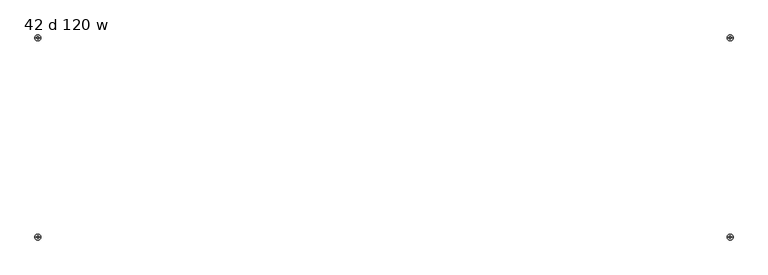
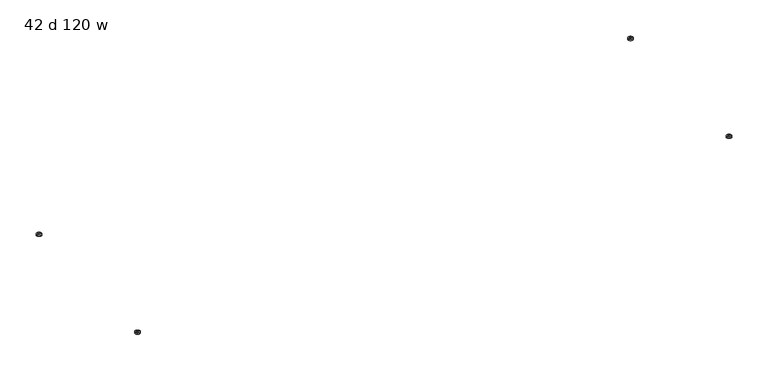
"""IFC4 building model written with IfcOpenShell, lengths in millimetres: furniture geometry, 42 d 120 w."""

from ifc_helpers import new_model, si_unit, point, frame, origin, place, context, project, spatial, circle_curve, ellipse_curve, trimmed, source, transform, mapped, element, save
from ifc_brep_helpers import plane_surface, cylinder_surface, revolved_surface, advanced_brep


def furniture_42_d_120_w_34566470(model_context):
    return source(origin(), model_context, "Body", "AdvancedBrep", [
        advanced_brep(
        [(-1453.3322731, -419.8439953, 0.0), (-1458.4112333, -419.8439953, 0.0), (-1455.8717532, -419.8439953, 0.0), (-1443.174498, -419.8439953, 3.6684262), (-1468.5690084, -419.8439953, 3.6684262), (-1443.174498, -419.8439953, 7.8731999), (-1468.5690084, -419.8439953, 7.8731999), (-1451.1120222, -419.8439953, 7.8731999), (-1460.6314842, -419.8439953, 7.8731999), (-1451.1120222, -419.8439953, 12.2237497), (-1460.6314842, -419.8439953, 12.2237497), (-1455.8717532, -419.8439953, 12.2237497)],
        [
            (0, 1, circle_curve(frame((-1455.8717532, -419.8439953, 0.0), z_axis=(0.0, 0.0, -1.0), x_axis=(-1.0, 0.0, 0.0)), 2.5394801)),
            (1, 2),
            (2, 0),
            (1, 0, circle_curve(frame((-1455.8717532, -419.8439953, 0.0), z_axis=(0.0, 0.0, -1.0), x_axis=(-1.0, 0.0, 0.0)), 2.5394801)),
            (0, 3, circle_curve(frame((-1453.3322731, -419.8439953, 15.8975186), z_axis=(0.0, -1.0, 0.0), x_axis=(1.0, 0.0, 0.0)), 15.8975186)),
            (3, 4, circle_curve(frame((-1455.8717532, -419.8439953, 3.6684262), z_axis=(0.0, 0.0, -1.0), x_axis=(-1.0, 0.0, 0.0)), 12.6972552)),
            (4, 1, circle_curve(frame((-1458.4112333, -419.8439953, 15.8975186), z_axis=(0.0, -1.0, 0.0), x_axis=(-1.0, 0.0, 0.0)), 15.8975186)),
            (4, 3, circle_curve(frame((-1455.8717532, -419.8439953, 3.6684262), z_axis=(0.0, 0.0, -1.0), x_axis=(-1.0, 0.0, 0.0)), 12.6972552)),
            (3, 5),
            (5, 6, circle_curve(frame((-1455.8717532, -419.8439953, 7.8731999), z_axis=(0.0, 0.0, -1.0), x_axis=(-1.0, 0.0, 0.0)), 12.6972552)),
            (6, 4),
            (6, 5, circle_curve(frame((-1455.8717532, -419.8439953, 7.8731999), z_axis=(0.0, 0.0, -1.0), x_axis=(-1.0, 0.0, 0.0)), 12.6972552)),
            (5, 7),
            (7, 8, circle_curve(frame((-1455.8717532, -419.8439953, 7.8731999), z_axis=(0.0, 0.0, -1.0), x_axis=(-1.0, 0.0, 0.0)), 4.759731)),
            (8, 6),
            (8, 7, circle_curve(frame((-1455.8717532, -419.8439953, 7.8731999), z_axis=(0.0, 0.0, -1.0), x_axis=(-1.0, 0.0, 0.0)), 4.759731)),
            (7, 9),
            (9, 10, circle_curve(frame((-1455.8717532, -419.8439953, 12.2237497), z_axis=(0.0, 0.0, -1.0), x_axis=(-1.0, 0.0, 0.0)), 4.759731)),
            (10, 8),
            (10, 9, circle_curve(frame((-1455.8717532, -419.8439953, 12.2237497), z_axis=(0.0, 0.0, -1.0), x_axis=(-1.0, 0.0, 0.0)), 4.759731)),
            (9, 11),
            (11, 10),
        ],
        [
            plane_surface(frame((-1455.8717532, -419.8439953, 0.0), z_axis=(0.0, 0.0, -1.0), x_axis=(-1.0, 0.0, 0.0))),
            revolved_surface(trimmed(ellipse_curve(frame((-1458.4112333, -419.8439953, 15.8975186), z_axis=(0.0, 1.0, 0.0), x_axis=(-1.0, 0.0, 0.0)), 15.8975186, 15.8975186), [point((-1458.4112333, -419.8439953, 0.0))], [point((-1468.5690084, -419.8439953, 3.6684262))], True, "CARTESIAN"), (-1455.8717532, -419.8439953, 12.2237497), (0.0, 0.0, 1.0)),
            cylinder_surface(frame((-1455.8717532, -419.8439953, 12.2237497), z_axis=(0.0, 0.0, 1.0), x_axis=(-1.0, 0.0, 0.0)), 12.6972552),
            plane_surface(frame((-1455.8717532, -419.8439953, 7.8731999), z_axis=(0.0, 0.0, 1.0), x_axis=(-1.0, 0.0, 0.0))),
            cylinder_surface(frame((-1455.8717532, -419.8439953, 12.2237497), z_axis=(0.0, 0.0, 1.0), x_axis=(-1.0, 0.0, 0.0)), 4.759731),
            plane_surface(frame((-1455.8717532, -419.8439953, 12.2237497), z_axis=(0.0, 0.0, 1.0), x_axis=(-1.0, 0.0, 0.0))),
        ],
        [
            (0, [[1, 2, 3]]),
            (0, [[-2, 4, -3]]),
            (1, [[-1, 5, 6, 7]]),
            (1, [[-4, -7, 8, -5]]),
            (2, [[-6, 9, 10, 11]]),
            (2, [[-8, -11, 12, -9]]),
            (3, [[-10, 13, 14, 15]]),
            (3, [[-12, -15, 16, -13]]),
            (4, [[-14, 17, 18, 19]]),
            (4, [[-16, -19, 20, -17]]),
            (5, [[-18, 21, 22]]),
            (5, [[-20, -22, -21]]),
        ],
    ),
        advanced_brep(
        [(-1455.8717532, 419.8439953, 0.0), (-1458.4112333, 419.8439953, 0.0), (-1453.3322731, 419.8439953, 0.0), (-1468.5690084, 419.8439953, 3.6684262), (-1443.174498, 419.8439953, 3.6684262), (-1468.5690084, 419.8439953, 7.8731999), (-1443.174498, 419.8439953, 7.8731999), (-1460.6314842, 419.8439953, 7.8731999), (-1451.1120222, 419.8439953, 7.8731999), (-1460.6314842, 419.8439953, 12.2237497), (-1451.1120222, 419.8439953, 12.2237497), (-1455.8717532, 419.8439953, 12.2237497)],
        [
            (0, 1),
            (1, 2, circle_curve(frame((-1455.8717532, 419.8439953, 0.0), z_axis=(0.0, 0.0, -1.0), x_axis=(-1.0, 0.0, 0.0)), 2.5394801)),
            (2, 0),
            (2, 1, circle_curve(frame((-1455.8717532, 419.8439953, 0.0), z_axis=(0.0, 0.0, -1.0), x_axis=(-1.0, 0.0, 0.0)), 2.5394801)),
            (1, 3, circle_curve(frame((-1458.4112333, 419.8439953, 15.8975186), z_axis=(0.0, 1.0, 0.0), x_axis=(-1.0, 0.0, 0.0)), 15.8975186)),
            (3, 4, circle_curve(frame((-1455.8717532, 419.8439953, 3.6684262), z_axis=(0.0, 0.0, -1.0), x_axis=(-1.0, 0.0, 0.0)), 12.6972552)),
            (4, 2, circle_curve(frame((-1453.3322731, 419.8439953, 15.8975186), z_axis=(0.0, 1.0, 0.0), x_axis=(1.0, 0.0, 0.0)), 15.8975186)),
            (4, 3, circle_curve(frame((-1455.8717532, 419.8439953, 3.6684262), z_axis=(0.0, 0.0, -1.0), x_axis=(-1.0, 0.0, 0.0)), 12.6972552)),
            (3, 5),
            (5, 6, circle_curve(frame((-1455.8717532, 419.8439953, 7.8731999), z_axis=(0.0, 0.0, -1.0), x_axis=(-1.0, 0.0, 0.0)), 12.6972552)),
            (6, 4),
            (6, 5, circle_curve(frame((-1455.8717532, 419.8439953, 7.8731999), z_axis=(0.0, 0.0, -1.0), x_axis=(-1.0, 0.0, 0.0)), 12.6972552)),
            (5, 7),
            (7, 8, circle_curve(frame((-1455.8717532, 419.8439953, 7.8731999), z_axis=(0.0, 0.0, -1.0), x_axis=(-1.0, 0.0, 0.0)), 4.759731)),
            (8, 6),
            (8, 7, circle_curve(frame((-1455.8717532, 419.8439953, 7.8731999), z_axis=(0.0, 0.0, -1.0), x_axis=(-1.0, 0.0, 0.0)), 4.759731)),
            (7, 9),
            (9, 10, circle_curve(frame((-1455.8717532, 419.8439953, 12.2237497), z_axis=(0.0, 0.0, -1.0), x_axis=(-1.0, 0.0, 0.0)), 4.759731)),
            (10, 8),
            (10, 9, circle_curve(frame((-1455.8717532, 419.8439953, 12.2237497), z_axis=(0.0, 0.0, -1.0), x_axis=(-1.0, 0.0, 0.0)), 4.759731)),
            (9, 11),
            (11, 10),
        ],
        [
            plane_surface(frame((-1455.8717532, 419.8439953, 0.0), z_axis=(0.0, 0.0, -1.0), x_axis=(-1.0, 0.0, 0.0))),
            revolved_surface(trimmed(ellipse_curve(frame((-1458.4112333, 419.8439953, 15.8975186), z_axis=(0.0, -1.0, 0.0), x_axis=(-1.0, 0.0, 0.0)), 15.8975186, 15.8975186), [point((-1468.5690084, 419.8439953, 3.6684262))], [point((-1458.4112333, 419.8439953, 0.0))], True, "CARTESIAN"), (-1455.8717532, 419.8439953, 12.2237497), (0.0, 0.0, -1.0)),
            cylinder_surface(frame((-1455.8717532, 419.8439953, 12.2237497), z_axis=(0.0, 0.0, -1.0), x_axis=(-1.0, 0.0, 0.0)), 12.6972552),
            plane_surface(frame((-1455.8717532, 419.8439953, 7.8731999), z_axis=(0.0, 0.0, 1.0), x_axis=(-1.0, 0.0, 0.0))),
            cylinder_surface(frame((-1455.8717532, 419.8439953, 12.2237497), z_axis=(0.0, 0.0, -1.0), x_axis=(-1.0, 0.0, 0.0)), 4.759731),
            plane_surface(frame((-1455.8717532, 419.8439953, 12.2237497), z_axis=(0.0, 0.0, 1.0), x_axis=(-1.0, 0.0, 0.0))),
        ],
        [
            (0, [[1, 2, 3]]),
            (0, [[-1, -3, 4]]),
            (1, [[-2, 5, 6, 7]]),
            (1, [[-4, -7, 8, -5]]),
            (2, [[-6, 9, 10, 11]]),
            (2, [[-8, -11, 12, -9]]),
            (3, [[-10, 13, 14, 15]]),
            (3, [[-12, -15, 16, -13]]),
            (4, [[-14, 17, 18, 19]]),
            (4, [[-16, -19, 20, -17]]),
            (5, [[-18, 21, 22]]),
            (5, [[-20, -22, -21]]),
        ],
    ),
        advanced_brep(
        [(1455.8717532, -419.8439953, 0.0), (1458.4112333, -419.8439953, 0.0), (1453.3322731, -419.8439953, 0.0), (1468.5690084, -419.8439953, 3.6684262), (1443.174498, -419.8439953, 3.6684262), (1468.5690084, -419.8439953, 7.8731999), (1443.174498, -419.8439953, 7.8731999), (1460.6314842, -419.8439953, 7.8731999), (1451.1120222, -419.8439953, 7.8731999), (1460.6314842, -419.8439953, 12.2237497), (1451.1120222, -419.8439953, 12.2237497), (1455.8717532, -419.8439953, 12.2237497)],
        [
            (0, 1),
            (1, 2, circle_curve(frame((1455.8717532, -419.8439953, 0.0), z_axis=(0.0, 0.0, -1.0), x_axis=(1.0, 0.0, 0.0)), 2.5394801)),
            (2, 0),
            (2, 1, circle_curve(frame((1455.8717532, -419.8439953, 0.0), z_axis=(0.0, 0.0, -1.0), x_axis=(1.0, 0.0, 0.0)), 2.5394801)),
            (1, 3, circle_curve(frame((1458.4112333, -419.8439953, 15.8975186), z_axis=(0.0, -1.0, 0.0), x_axis=(-1.0, 0.0, 0.0)), 15.8975186)),
            (3, 4, circle_curve(frame((1455.8717532, -419.8439953, 3.6684262), z_axis=(0.0, 0.0, -1.0), x_axis=(1.0, 0.0, 0.0)), 12.6972552)),
            (4, 2, circle_curve(frame((1453.3322731, -419.8439953, 15.8975186), z_axis=(0.0, -1.0, 0.0), x_axis=(1.0, 0.0, 0.0)), 15.8975186)),
            (4, 3, circle_curve(frame((1455.8717532, -419.8439953, 3.6684262), z_axis=(0.0, 0.0, -1.0), x_axis=(1.0, 0.0, 0.0)), 12.6972552)),
            (3, 5),
            (5, 6, circle_curve(frame((1455.8717532, -419.8439953, 7.8731999), z_axis=(0.0, 0.0, -1.0), x_axis=(1.0, 0.0, 0.0)), 12.6972552)),
            (6, 4),
            (6, 5, circle_curve(frame((1455.8717532, -419.8439953, 7.8731999), z_axis=(0.0, 0.0, -1.0), x_axis=(1.0, 0.0, 0.0)), 12.6972552)),
            (5, 7),
            (7, 8, circle_curve(frame((1455.8717532, -419.8439953, 7.8731999), z_axis=(0.0, 0.0, -1.0), x_axis=(1.0, 0.0, 0.0)), 4.759731)),
            (8, 6),
            (8, 7, circle_curve(frame((1455.8717532, -419.8439953, 7.8731999), z_axis=(0.0, 0.0, -1.0), x_axis=(1.0, 0.0, 0.0)), 4.759731)),
            (7, 9),
            (9, 10, circle_curve(frame((1455.8717532, -419.8439953, 12.2237497), z_axis=(0.0, 0.0, -1.0), x_axis=(1.0, 0.0, 0.0)), 4.759731)),
            (10, 8),
            (10, 9, circle_curve(frame((1455.8717532, -419.8439953, 12.2237497), z_axis=(0.0, 0.0, -1.0), x_axis=(1.0, 0.0, 0.0)), 4.759731)),
            (9, 11),
            (11, 10),
        ],
        [
            plane_surface(frame((1455.8717532, -419.8439953, 0.0), z_axis=(0.0, 0.0, -1.0), x_axis=(1.0, 0.0, 0.0))),
            revolved_surface(trimmed(ellipse_curve(frame((1458.4112333, -419.8439953, 15.8975186), z_axis=(0.0, 1.0, 0.0), x_axis=(-1.0, 0.0, 0.0)), 15.8975186, 15.8975186), [point((1468.5690084, -419.8439953, 3.6684262))], [point((1458.4112333, -419.8439953, 0.0))], True, "CARTESIAN"), (1455.8717532, -419.8439953, 12.2237497), (0.0, 0.0, -1.0)),
            cylinder_surface(frame((1455.8717532, -419.8439953, 12.2237497), z_axis=(0.0, 0.0, -1.0), x_axis=(1.0, 0.0, 0.0)), 12.6972552),
            plane_surface(frame((1455.8717532, -419.8439953, 7.8731999), z_axis=(0.0, 0.0, 1.0), x_axis=(1.0, 0.0, 0.0))),
            cylinder_surface(frame((1455.8717532, -419.8439953, 12.2237497), z_axis=(0.0, 0.0, -1.0), x_axis=(1.0, 0.0, 0.0)), 4.759731),
            plane_surface(frame((1455.8717532, -419.8439953, 12.2237497), z_axis=(0.0, 0.0, 1.0), x_axis=(1.0, 0.0, 0.0))),
        ],
        [
            (0, [[1, 2, 3]]),
            (0, [[-1, -3, 4]]),
            (1, [[-2, 5, 6, 7]]),
            (1, [[-4, -7, 8, -5]]),
            (2, [[-6, 9, 10, 11]]),
            (2, [[-8, -11, 12, -9]]),
            (3, [[-10, 13, 14, 15]]),
            (3, [[-12, -15, 16, -13]]),
            (4, [[-14, 17, 18, 19]]),
            (4, [[-16, -19, 20, -17]]),
            (5, [[-18, 21, 22]]),
            (5, [[-20, -22, -21]]),
        ],
    ),
        advanced_brep(
        [(1453.3322731, 419.8439953, 0.0), (1458.4112333, 419.8439953, 0.0), (1455.8717532, 419.8439953, 0.0), (1443.174498, 419.8439953, 3.6684262), (1468.5690084, 419.8439953, 3.6684262), (1443.174498, 419.8439953, 7.8731999), (1468.5690084, 419.8439953, 7.8731999), (1451.1120222, 419.8439953, 7.8731999), (1460.6314842, 419.8439953, 7.8731999), (1451.1120222, 419.8439953, 12.2237497), (1460.6314842, 419.8439953, 12.2237497), (1455.8717532, 419.8439953, 12.2237497)],
        [
            (0, 1, circle_curve(frame((1455.8717532, 419.8439953, 0.0), z_axis=(0.0, 0.0, -1.0), x_axis=(1.0, 0.0, 0.0)), 2.5394801)),
            (1, 2),
            (2, 0),
            (1, 0, circle_curve(frame((1455.8717532, 419.8439953, 0.0), z_axis=(0.0, 0.0, -1.0), x_axis=(1.0, 0.0, 0.0)), 2.5394801)),
            (0, 3, circle_curve(frame((1453.3322731, 419.8439953, 15.8975186), z_axis=(0.0, 1.0, 0.0), x_axis=(1.0, 0.0, 0.0)), 15.8975186)),
            (3, 4, circle_curve(frame((1455.8717532, 419.8439953, 3.6684262), z_axis=(0.0, 0.0, -1.0), x_axis=(1.0, 0.0, 0.0)), 12.6972552)),
            (4, 1, circle_curve(frame((1458.4112333, 419.8439953, 15.8975186), z_axis=(0.0, 1.0, 0.0), x_axis=(-1.0, 0.0, 0.0)), 15.8975186)),
            (4, 3, circle_curve(frame((1455.8717532, 419.8439953, 3.6684262), z_axis=(0.0, 0.0, -1.0), x_axis=(1.0, 0.0, 0.0)), 12.6972552)),
            (3, 5),
            (5, 6, circle_curve(frame((1455.8717532, 419.8439953, 7.8731999), z_axis=(0.0, 0.0, -1.0), x_axis=(1.0, 0.0, 0.0)), 12.6972552)),
            (6, 4),
            (6, 5, circle_curve(frame((1455.8717532, 419.8439953, 7.8731999), z_axis=(0.0, 0.0, -1.0), x_axis=(1.0, 0.0, 0.0)), 12.6972552)),
            (5, 7),
            (7, 8, circle_curve(frame((1455.8717532, 419.8439953, 7.8731999), z_axis=(0.0, 0.0, -1.0), x_axis=(1.0, 0.0, 0.0)), 4.759731)),
            (8, 6),
            (8, 7, circle_curve(frame((1455.8717532, 419.8439953, 7.8731999), z_axis=(0.0, 0.0, -1.0), x_axis=(1.0, 0.0, 0.0)), 4.759731)),
            (7, 9),
            (9, 10, circle_curve(frame((1455.8717532, 419.8439953, 12.2237497), z_axis=(0.0, 0.0, -1.0), x_axis=(1.0, 0.0, 0.0)), 4.759731)),
            (10, 8),
            (10, 9, circle_curve(frame((1455.8717532, 419.8439953, 12.2237497), z_axis=(0.0, 0.0, -1.0), x_axis=(1.0, 0.0, 0.0)), 4.759731)),
            (9, 11),
            (11, 10),
        ],
        [
            plane_surface(frame((1455.8717532, 419.8439953, 0.0), z_axis=(0.0, 0.0, -1.0), x_axis=(1.0, 0.0, 0.0))),
            revolved_surface(trimmed(ellipse_curve(frame((1458.4112333, 419.8439953, 15.8975186), z_axis=(0.0, -1.0, 0.0), x_axis=(-1.0, 0.0, 0.0)), 15.8975186, 15.8975186), [point((1458.4112333, 419.8439953, 0.0))], [point((1468.5690084, 419.8439953, 3.6684262))], True, "CARTESIAN"), (1455.8717532, 419.8439953, 12.2237497), (0.0, 0.0, 1.0)),
            cylinder_surface(frame((1455.8717532, 419.8439953, 12.2237497), z_axis=(0.0, 0.0, 1.0), x_axis=(1.0, 0.0, 0.0)), 12.6972552),
            plane_surface(frame((1455.8717532, 419.8439953, 7.8731999), z_axis=(0.0, 0.0, 1.0), x_axis=(1.0, 0.0, 0.0))),
            cylinder_surface(frame((1455.8717532, 419.8439953, 12.2237497), z_axis=(0.0, 0.0, 1.0), x_axis=(1.0, 0.0, 0.0)), 4.759731),
            plane_surface(frame((1455.8717532, 419.8439953, 12.2237497), z_axis=(0.0, 0.0, 1.0), x_axis=(1.0, 0.0, 0.0))),
        ],
        [
            (0, [[1, 2, 3]]),
            (0, [[-2, 4, -3]]),
            (1, [[-1, 5, 6, 7]]),
            (1, [[-4, -7, 8, -5]]),
            (2, [[-6, 9, 10, 11]]),
            (2, [[-8, -11, 12, -9]]),
            (3, [[-10, 13, 14, 15]]),
            (3, [[-12, -15, 16, -13]]),
            (4, [[-14, 17, 18, 19]]),
            (4, [[-16, -19, 20, -17]]),
            (5, [[-18, 21, 22]]),
            (5, [[-20, -22, -21]]),
        ],
    ),
    ])


if __name__ == "__main__":
    model = new_model("IFC4")
    model_context = context("Model", 3, world=origin())
    ifc_project = project(units=[si_unit("LENGTHUNIT", "METRE", prefix="MILLI")], contexts=[model_context])
    site = spatial("IfcSite", under=ifc_project)
    building = spatial("IfcBuilding", under=site)
    placement = place(None, origin())
    furniture_42_d_120_w_shape = furniture_42_d_120_w_34566470(model_context)
    element("IfcFurniture", 1, ObjectType="42 d 120 w", at=placement, inside=building, context=model_context, shape_type="MappedRepresentation", body=[
        mapped(furniture_42_d_120_w_shape, transform((0.0, 0.0, 0.0), x_axis=(1.0, 0.0, 0.0), y_axis=(0.0, 1.0, 0.0), z_axis=(0.0, 0.0, 1.0))),
    ])
    save(model, "model.ifc")
